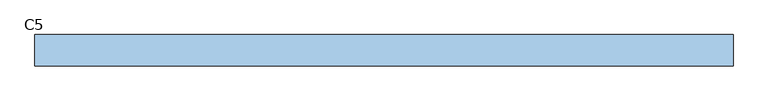
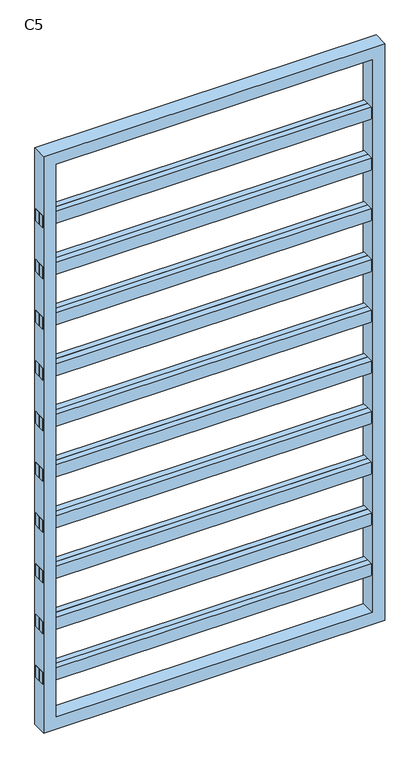
"""IFC4 building model written with IfcOpenShell, lengths in millimetres: window geometry, C5."""

from ifc_helpers import new_model, si_unit, frame, origin, place, context, project, spatial, polyline, outline, extrude, source, transform, mapped, element, save


def c5_63c2b317(model_context):
    return source(origin(), model_context, "Body", "SweptSolid", [
        extrude(outline(polyline([(-671.65, 0.0), (671.65, 0.0), (671.65, -25.0), (-671.65, -25.0), (-671.65, 0.0)])), frame((0.0, 0.0, 2088.8888889), z_axis=(0.0, 0.0, 1.0), x_axis=(1.0, 0.0, 0.0)), (0.0, 0.0, 1.0), 50.0),
        extrude(outline(polyline([(671.65, 0.0), (-671.65, 0.0), (-671.65, 25.0), (671.65, 25.0), (671.65, 0.0)])), frame((0.0, 0.0, 2088.8888889), z_axis=(0.0, 0.0, 1.0), x_axis=(1.0, 0.0, 0.0)), (0.0, 0.0, 1.0), 50.0),
        extrude(outline(polyline([(-671.65, 0.0), (671.65, 0.0), (671.65, -25.0), (-671.65, -25.0), (-671.65, 0.0)])), frame((0.0, 0.0, 1877.7777778), z_axis=(0.0, 0.0, 1.0), x_axis=(1.0, 0.0, 0.0)), (0.0, 0.0, 1.0), 50.0),
        extrude(outline(polyline([(671.65, 0.0), (-671.65, 0.0), (-671.65, 25.0), (671.65, 25.0), (671.65, 0.0)])), frame((0.0, 0.0, 1877.7777778), z_axis=(0.0, 0.0, 1.0), x_axis=(1.0, 0.0, 0.0)), (0.0, 0.0, 1.0), 50.0),
        extrude(outline(polyline([(-671.65, 0.0), (671.65, 0.0), (671.65, -25.0), (-671.65, -25.0), (-671.65, 0.0)])), frame((0.0, 0.0, 1666.6666667), z_axis=(0.0, 0.0, 1.0), x_axis=(1.0, 0.0, 0.0)), (0.0, 0.0, 1.0), 50.0),
        extrude(outline(polyline([(671.65, 0.0), (-671.65, 0.0), (-671.65, 25.0), (671.65, 25.0), (671.65, 0.0)])), frame((0.0, 0.0, 1666.6666667), z_axis=(0.0, 0.0, 1.0), x_axis=(1.0, 0.0, 0.0)), (0.0, 0.0, 1.0), 50.0),
        extrude(outline(polyline([(-671.65, 0.0), (671.65, 0.0), (671.65, -25.0), (-671.65, -25.0), (-671.65, 0.0)])), frame((0.0, 0.0, 1455.5555556), z_axis=(0.0, 0.0, 1.0), x_axis=(1.0, 0.0, 0.0)), (0.0, 0.0, 1.0), 50.0),
        extrude(outline(polyline([(671.65, 0.0), (-671.65, 0.0), (-671.65, 25.0), (671.65, 25.0), (671.65, 0.0)])), frame((0.0, 0.0, 1455.5555556), z_axis=(0.0, 0.0, 1.0), x_axis=(1.0, 0.0, 0.0)), (0.0, 0.0, 1.0), 50.0),
        extrude(outline(polyline([(-671.65, 0.0), (671.65, 0.0), (671.65, -25.0), (-671.65, -25.0), (-671.65, 0.0)])), frame((0.0, 0.0, 1244.4444444), z_axis=(0.0, 0.0, 1.0), x_axis=(1.0, 0.0, 0.0)), (0.0, 0.0, 1.0), 50.0),
        extrude(outline(polyline([(671.65, 0.0), (-671.65, 0.0), (-671.65, 25.0), (671.65, 25.0), (671.65, 0.0)])), frame((0.0, 0.0, 1244.4444444), z_axis=(0.0, 0.0, 1.0), x_axis=(1.0, 0.0, 0.0)), (0.0, 0.0, 1.0), 50.0),
        extrude(outline(polyline([(-671.65, 0.0), (671.65, 0.0), (671.65, -25.0), (-671.65, -25.0), (-671.65, 0.0)])), frame((0.0, 0.0, 1033.3333333), z_axis=(0.0, 0.0, 1.0), x_axis=(1.0, 0.0, 0.0)), (0.0, 0.0, 1.0), 50.0),
        extrude(outline(polyline([(671.65, 0.0), (-671.65, 0.0), (-671.65, 25.0), (671.65, 25.0), (671.65, 0.0)])), frame((0.0, 0.0, 1033.3333333), z_axis=(0.0, 0.0, 1.0), x_axis=(1.0, 0.0, 0.0)), (0.0, 0.0, 1.0), 50.0),
        extrude(outline(polyline([(-671.65, 0.0), (671.65, 0.0), (671.65, -25.0), (-671.65, -25.0), (-671.65, 0.0)])), frame((0.0, 0.0, 822.2222222), z_axis=(0.0, 0.0, 1.0), x_axis=(1.0, 0.0, 0.0)), (0.0, 0.0, 1.0), 50.0),
        extrude(outline(polyline([(671.65, 0.0), (-671.65, 0.0), (-671.65, 25.0), (671.65, 25.0), (671.65, 0.0)])), frame((0.0, 0.0, 822.2222222), z_axis=(0.0, 0.0, 1.0), x_axis=(1.0, 0.0, 0.0)), (0.0, 0.0, 1.0), 50.0),
        extrude(outline(polyline([(-671.65, 0.0), (671.65, 0.0), (671.65, -25.0), (-671.65, -25.0), (-671.65, 0.0)])), frame((0.0, 0.0, 611.1111111), z_axis=(0.0, 0.0, 1.0), x_axis=(1.0, 0.0, 0.0)), (0.0, 0.0, 1.0), 50.0),
        extrude(outline(polyline([(671.65, 0.0), (-671.65, 0.0), (-671.65, 25.0), (671.65, 25.0), (671.65, 0.0)])), frame((0.0, 0.0, 611.1111111), z_axis=(0.0, 0.0, 1.0), x_axis=(1.0, 0.0, 0.0)), (0.0, 0.0, 1.0), 50.0),
        extrude(outline(polyline([(-671.65, 0.0), (671.65, 0.0), (671.65, -25.0), (-671.65, -25.0), (-671.65, 0.0)])), frame((0.0, 0.0, 2300.0), z_axis=(0.0, 0.0, 1.0), x_axis=(1.0, 0.0, 0.0)), (0.0, 0.0, 1.0), 50.0),
        extrude(outline(polyline([(671.65, 0.0), (-671.65, 0.0), (-671.65, 25.0), (671.65, 25.0), (671.65, 0.0)])), frame((0.0, 0.0, 2300.0), z_axis=(0.0, 0.0, 1.0), x_axis=(1.0, 0.0, 0.0)), (0.0, 0.0, 1.0), 50.0),
        extrude(outline(polyline([(-671.65, 0.0), (671.65, 0.0), (671.65, -25.0), (-671.65, -25.0), (-671.65, 0.0)])), frame((0.0, 0.0, 400.0), z_axis=(0.0, 0.0, 1.0), x_axis=(1.0, 0.0, 0.0)), (0.0, 0.0, 1.0), 50.0),
        extrude(outline(polyline([(671.65, 0.0), (-671.65, 0.0), (-671.65, 25.0), (671.65, 25.0), (671.65, 0.0)])), frame((0.0, 0.0, 400.0), z_axis=(0.0, 0.0, 1.0), x_axis=(1.0, 0.0, 0.0)), (0.0, 0.0, 1.0), 50.0),
        extrude(outline(polyline([(2600.0, -671.65), (200.0, -671.65), (200.0, 671.65), (2600.0, 671.65), (2600.0, -671.65)]), holes=[polyline([(2550.0, 621.65), (250.0, 621.65), (250.0, -621.65), (2550.0, -621.65), (2550.0, 621.65)])]), frame((0.0, -30.0, 0.0), z_axis=(0.0, 1.0, 0.0), x_axis=(0.0, 0.0, 1.0)), (0.0, 0.0, 1.0), 60.0),
    ])


if __name__ == "__main__":
    model = new_model("IFC4")
    model_context = context("Model", 3, world=origin())
    ifc_project = project(units=[si_unit("LENGTHUNIT", "METRE", prefix="MILLI")], contexts=[model_context])
    site = spatial("IfcSite", under=ifc_project)
    building = spatial("IfcBuilding", under=site)
    placement = place(None, origin())
    c5_shape = c5_63c2b317(model_context)
    element("IfcWindow", 1, ObjectType="C5", at=placement, inside=building, context=model_context, shape_type="MappedRepresentation", body=[
        mapped(c5_shape, transform((0.0, 0.0, 0.0), x_axis=(1.0, 0.0, 0.0), y_axis=(0.0, 1.0, 0.0), z_axis=(0.0, 0.0, 1.0))),
    ])
    save(model, "model.ifc")
